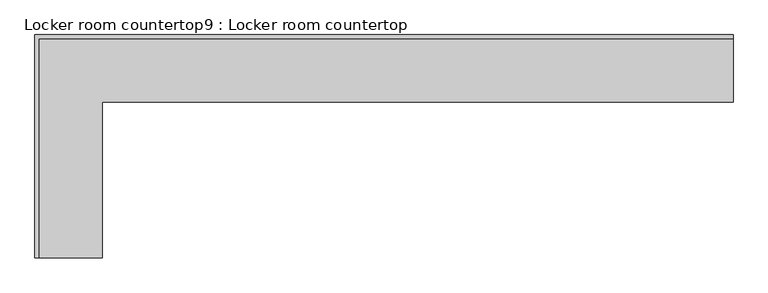
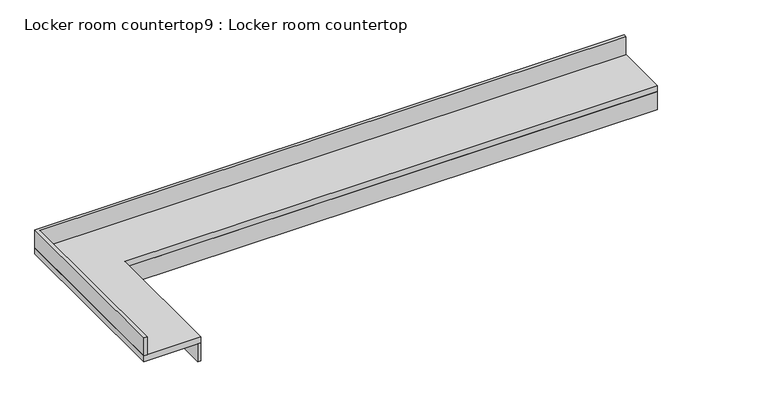
"""IFC4 building model written with IfcOpenShell, lengths in millimetres: furniture geometry, Locker room countertop9 : Locker room countertop."""

from ifc_helpers import new_model, si_unit, frame, origin, place, context, project, spatial, polyline, outline, extrude, source, transform, mapped, element, save


def locker_room_countertop9_locker_room_countertop_cd120e08(model_context):
    return source(origin(), model_context, "Body", "SweptSolid", [
        extrude(outline(polyline([(454082.2522093, -250300.3455223), (454082.2522093, -251356.0330223), (454056.8522093, -251356.0330223), (454056.8522093, -250274.9455223), (458349.4522093, -250274.9455223), (458349.4522093, -250300.3455223), (454082.2522093, -250300.3455223)])), frame((0.0, 0.0, 660.4), z_axis=(0.0, 0.0, 1.0), x_axis=(1.0, 0.0, 0.0)), (0.0, 0.0, 1.0), 152.4),
        extrude(outline(polyline([(458349.4522093, -249868.5455223), (453650.4522093, -249868.5455223), (453650.4522093, -251356.0330223), (453625.0522093, -251356.0330223), (453625.0522093, -249843.1455223), (458349.4522093, -249843.1455223), (458349.4522093, -249868.5455223)])), frame((0.0, 0.0, 863.6), z_axis=(0.0, 0.0, 1.0), x_axis=(1.0, 0.0, 0.0)), (0.0, 0.0, 1.0), 152.4),
        extrude(outline(polyline([(458349.4522093, -250300.3455223), (454082.2522093, -250300.3455223), (454082.2522093, -251356.0330223), (453625.0522093, -251356.0330223), (453625.0522093, -249843.1455223), (458349.4522093, -249843.1455223), (458349.4522093, -250300.3455223)])), frame((0.0, 0.0, 812.8), z_axis=(0.0, 0.0, 1.0), x_axis=(1.0, 0.0, 0.0)), (0.0, 0.0, 1.0), 50.8),
    ])


if __name__ == "__main__":
    model = new_model("IFC4")
    model_context = context("Model", 3, world=origin())
    ifc_project = project(units=[si_unit("LENGTHUNIT", "METRE", prefix="MILLI")], contexts=[model_context])
    site = spatial("IfcSite", under=ifc_project)
    building = spatial("IfcBuilding", under=site)
    placement = place(None, origin())
    locker_room_countertop9_locker_room_countertop_shape = locker_room_countertop9_locker_room_countertop_cd120e08(model_context)
    element("IfcFurniture", 1, ObjectType="Locker room countertop9 : Locker room countertop", at=placement, inside=building, context=model_context, shape_type="MappedRepresentation", body=[
        mapped(locker_room_countertop9_locker_room_countertop_shape, transform((0.0, 0.0, 0.0), x_axis=(1.0, 0.0, 0.0), y_axis=(0.0, 1.0, 0.0), z_axis=(0.0, 0.0, 1.0))),
    ])
    save(model, "model.ifc")
